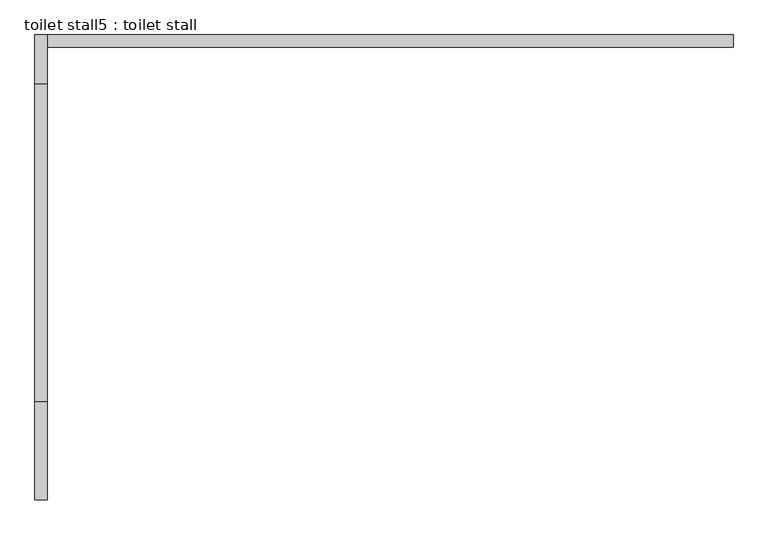
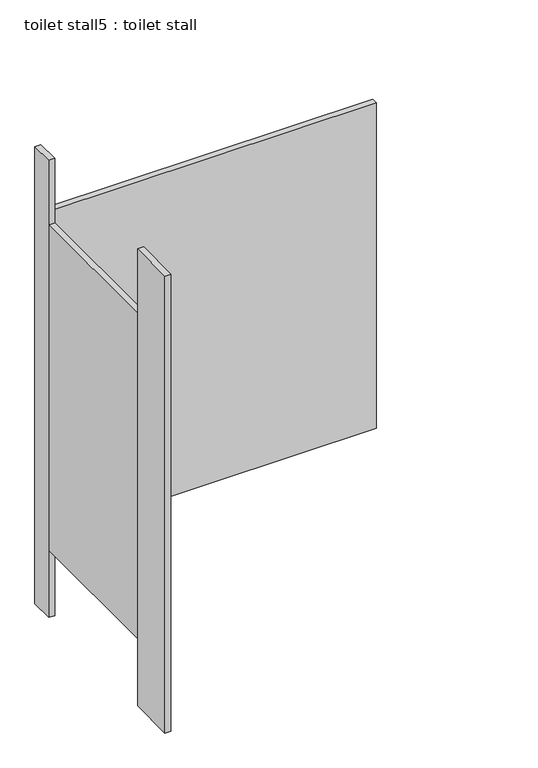
"""IFC4 building model written with IfcOpenShell, lengths in millimetres: proxy geometry, toilet stall5 : toilet stall."""

from ifc_helpers import new_model, si_unit, frame, origin, origin_with_axes, place, context, project, spatial, polyline, outline, extrude, source, transform, mapped, element, save


def toilet_stall5_toilet_stall_2042f927(model_context):
    return source(origin(), model_context, "Body", "SweptSolid", [
        extrude(outline(polyline([(457706.2004676, -330172.2330223), (457706.2004676, -330375.4330223), (457680.8004676, -330375.4330223), (457680.8004676, -330172.2330223), (457706.2004676, -330172.2330223)])), origin_with_axes(), (0.0, 0.0, 1.0), 2070.1),
        extrude(outline(polyline([(457706.2004676, -329410.2330223), (457706.2004676, -329511.8330223), (457680.8004676, -329511.8330223), (457680.8004676, -329410.2330223), (457706.2004676, -329410.2330223)])), origin_with_axes(), (0.0, 0.0, 1.0), 2070.1),
        extrude(outline(polyline([(457706.2004676, -329410.2330223), (459128.6004676, -329410.2330223), (459128.6004676, -329435.6330223), (457706.2004676, -329435.6330223), (457706.2004676, -329410.2330223)])), frame((0.0, 0.0, 304.8), z_axis=(0.0, 0.0, 1.0), x_axis=(1.0, 0.0, 0.0)), (0.0, 0.0, 1.0), 1473.2),
        extrude(outline(polyline([(457706.2004676, -329511.8330223), (457706.2004676, -330172.2330223), (457680.8004676, -330172.2330223), (457680.8004676, -329511.8330223), (457706.2004676, -329511.8330223)])), frame((0.0, 0.0, 304.8), z_axis=(0.0, 0.0, 1.0), x_axis=(1.0, 0.0, 0.0)), (0.0, 0.0, 1.0), 1473.2),
    ])


if __name__ == "__main__":
    model = new_model("IFC4")
    model_context = context("Model", 3, world=origin())
    ifc_project = project(units=[si_unit("LENGTHUNIT", "METRE", prefix="MILLI")], contexts=[model_context])
    site = spatial("IfcSite", under=ifc_project)
    building = spatial("IfcBuilding", under=site)
    placement = place(None, origin())
    toilet_stall5_toilet_stall_shape = toilet_stall5_toilet_stall_2042f927(model_context)
    element("IfcBuildingElementProxy", 1, Name="toilet stall5 : toilet stall", ObjectType="toilet stall5 : toilet stall", at=placement, inside=building, context=model_context, shape_type="MappedRepresentation", body=[
        mapped(toilet_stall5_toilet_stall_shape, transform((0.0, 0.0, 0.0), x_axis=(1.0, 0.0, 0.0), y_axis=(0.0, 1.0, 0.0), z_axis=(0.0, 0.0, 1.0))),
    ])
    save(model, "model.ifc")
